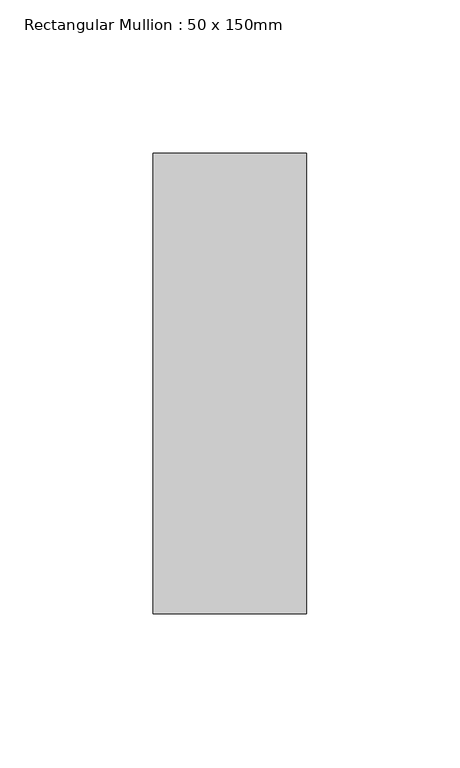
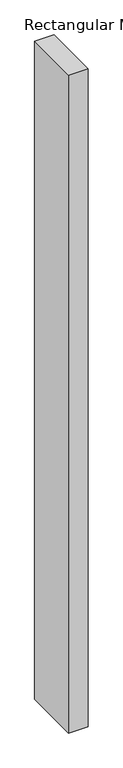
"""IFC4 building model written with IfcOpenShell, lengths in millimetres: member geometry, Rectangular Mullion : 50 x 150mm."""

from ifc_helpers import new_model, si_unit, frame, origin, place, context, project, spatial, polyline, outline, extrude, source, transform, mapped, element, save


def rectangular_mullion_50_x_150mm_f5e821a9(model_context):
    return source(origin(), model_context, "Body", "SweptSolid", [
        extrude(outline(polyline([(25.0, 75.0), (25.0, -75.0), (-25.0, -75.0), (-25.0, 75.0), (25.0, 75.0)])), frame((0.0, 0.0, -1778.3333333), z_axis=(0.0, 0.0, 1.0), x_axis=(1.0, 0.0, 0.0)), (0.0, 0.0, 1.0), 1778.3333333),
    ])


if __name__ == "__main__":
    model = new_model("IFC4")
    model_context = context("Model", 3, world=origin())
    ifc_project = project(units=[si_unit("LENGTHUNIT", "METRE", prefix="MILLI")], contexts=[model_context])
    site = spatial("IfcSite", under=ifc_project)
    building = spatial("IfcBuilding", under=site)
    placement = place(None, origin())
    rectangular_mullion_50_x_150mm_shape = rectangular_mullion_50_x_150mm_f5e821a9(model_context)
    element("IfcMember", 1, ObjectType="Rectangular Mullion : 50 x 150mm", at=placement, inside=building, context=model_context, shape_type="MappedRepresentation", body=[
        mapped(rectangular_mullion_50_x_150mm_shape, transform((0.0, 0.0, 0.0), x_axis=(1.0, 0.0, 0.0), y_axis=(0.0, 1.0, 0.0), z_axis=(0.0, 0.0, 1.0))),
    ])
    save(model, "model.ifc")
